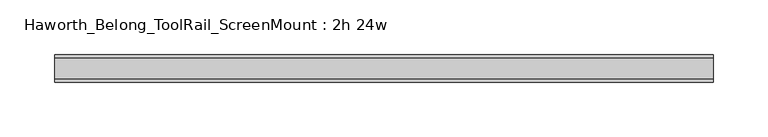
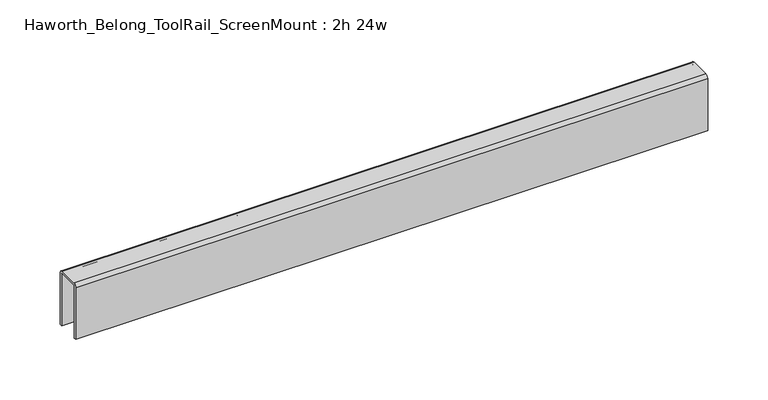
"""IFC4 building model written with IfcOpenShell, lengths in millimetres: furniture geometry, Haworth_Belong_ToolRail_ScreenMount : 2h 24w."""

from ifc_helpers import new_model, si_unit, point, frame, frame_2d, origin, place, context, project, spatial, polyline, circle_curve, trimmed, segment, composite_curve, outline, extrude, source, transform, mapped, element, save


def haworth_belong_toolrail_screenmount_2h_24w_e0e59341(model_context):
    return source(origin(), model_context, "Body", "SweptSolid", [
        extrude(outline(composite_curve([segment(polyline([(-9.525, 868.3625), (9.525, 868.3625)]), True, "CONTINUOUS"), segment(trimmed(circle_curve(frame_2d((9.525, 865.1875)), 3.175), [point((9.525, 868.3625))], [point((12.7, 865.1875))], False, "CARTESIAN"), True, "CONTINUOUS"), segment(polyline([(12.7, 865.1875), (12.7, 812.8), (10.31875, 812.8), (10.31875, 865.1875)]), True, "CONTINUOUS"), segment(trimmed(circle_curve(frame_2d((9.525, 865.1875)), 0.79375), [point((10.31875, 865.1875))], [point((9.525, 865.98125))], True, "CARTESIAN"), True, "CONTINUOUS"), segment(polyline([(9.525, 865.98125), (-9.525, 865.98125)]), True, "CONTINUOUS"), segment(trimmed(circle_curve(frame_2d((-9.525, 865.1875)), 0.79375), [point((-9.525, 865.98125))], [point((-10.31875, 865.1875))], True, "CARTESIAN"), True, "CONTINUOUS"), segment(polyline([(-10.31875, 865.1875), (-10.31875, 812.8), (-12.7, 812.8), (-12.7, 865.1875)]), True, "CONTINUOUS"), segment(trimmed(circle_curve(frame_2d((-9.525, 865.1875)), 3.175), [point((-12.7, 865.1875))], [point((-9.525, 868.3625))], False, "CARTESIAN"), True, "CONTINUOUS")], self_intersect=False)), frame((-301.625, 0.0, 0.0), z_axis=(1.0, 0.0, 0.0), x_axis=(0.0, 1.0, 0.0)), (0.0, 0.0, 1.0), 603.25),
    ])


if __name__ == "__main__":
    model = new_model("IFC4")
    model_context = context("Model", 3, world=origin())
    ifc_project = project(units=[si_unit("LENGTHUNIT", "METRE", prefix="MILLI")], contexts=[model_context])
    site = spatial("IfcSite", under=ifc_project)
    building = spatial("IfcBuilding", under=site)
    placement = place(None, origin())
    haworth_belong_toolrail_screenmount_2h_24w_shape = haworth_belong_toolrail_screenmount_2h_24w_e0e59341(model_context)
    element("IfcFurniture", 1, ObjectType="Haworth_Belong_ToolRail_ScreenMount : 2h 24w", at=placement, inside=building, context=model_context, shape_type="MappedRepresentation", body=[
        mapped(haworth_belong_toolrail_screenmount_2h_24w_shape, transform((0.0, 0.0, 0.0), x_axis=(1.0, 0.0, 0.0), y_axis=(0.0, 1.0, 0.0), z_axis=(0.0, 0.0, 1.0))),
    ])
    save(model, "model.ifc")
